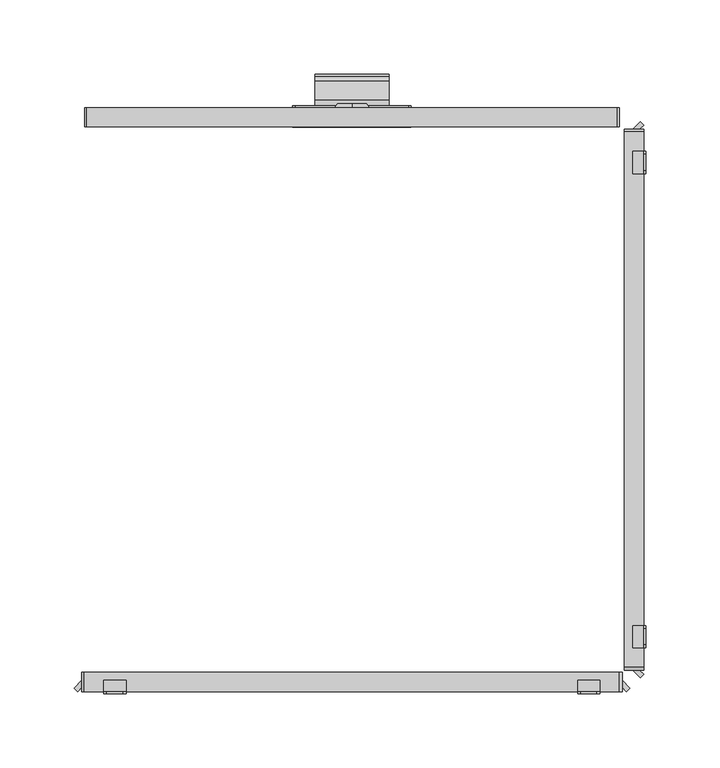
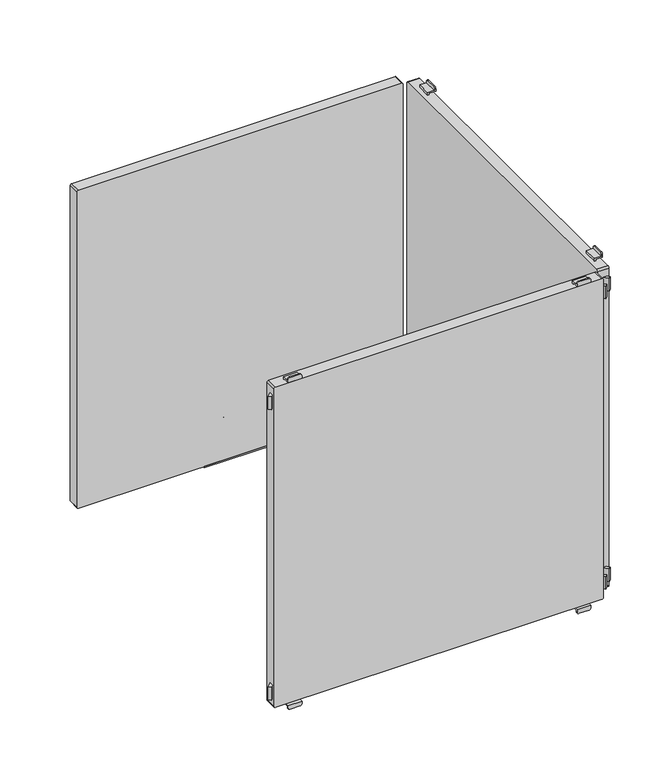
"""IFC4 building model written with IfcOpenShell, lengths in millimetres: furniture geometry."""

from ifc_helpers import new_model, si_unit, point, frame, frame_2d, origin, place, context, project, spatial, polyline, circle_curve, trimmed, segment, composite_curve, outline, extrude, source, transform, mapped, element, save
from ifc_brep_helpers import plane_surface, cylinder_surface, revolved_surface, advanced_brep


def furniture_70ed800b(model_context):
    return source(origin(), model_context, "Body", "SolidModel", [
        extrude(outline(composite_curve([segment(trimmed(circle_curve(frame_2d((202.226909, 86.4886922)), 43.9399623), [point((202.226909, 130.4286545))], [point((215.0082179, 128.5286545))], False, "CARTESIAN"), True, "CONTINUOUS"), segment(trimmed(circle_curve(frame_2d((212.0259096, 118.7193203)), 10.252668), [point((215.0082179, 128.5286545))], [point((218.0910053, 126.9856263))], False, "CARTESIAN"), True, "CONTINUOUS"), segment(trimmed(circle_curve(frame_2d((215.7726745, 123.8259018)), 3.9189943), [point((218.0910053, 126.9856263))], [point((213.1407662, 120.9221843))], False, "CARTESIAN"), True, "CONTINUOUS"), segment(trimmed(circle_curve(frame_2d((202.2269079, 108.8812021)), 16.2510786), [point((213.1407662, 120.9221843))], [point((202.2269079, 125.1322806))], True, "CARTESIAN"), True, "CONTINUOUS"), segment(polyline([(202.2269079, 125.1322806), (198.5, 125.1322806), (198.5, 127.0322806), (202.2269079, 127.0322806)]), True, "CONTINUOUS"), segment(trimmed(circle_curve(frame_2d((202.2269079, 108.8812021)), 18.1510786), [point((202.2269079, 127.0322806))], [point((214.4167634, 122.3299595))], False, "CARTESIAN"), True, "CONTINUOUS"), segment(trimmed(circle_curve(frame_2d((215.7726745, 123.8259018)), 2.0189943), [point((214.4167634, 122.3299595))], [point((216.9670362, 125.4537341))], True, "CARTESIAN"), True, "CONTINUOUS"), segment(trimmed(circle_curve(frame_2d((212.0259096, 118.7193203)), 8.352668), [point((216.9670362, 125.4537341))], [point((214.4555436, 126.710812))], True, "CARTESIAN"), True, "CONTINUOUS"), segment(trimmed(circle_curve(frame_2d((202.226909, 86.4886922)), 42.0399623), [point((214.4555436, 126.710812))], [point((202.226909, 128.5286545))], True, "CARTESIAN"), True, "CONTINUOUS"), segment(polyline([(202.226909, 128.5286545), (198.5, 128.5286545), (198.5, 130.4286545), (202.226909, 130.4286545)]), True, "CONTINUOUS")], self_intersect=False)), frame((-25.0, 0.0, 0.0), z_axis=(1.0, 0.0, 0.0), x_axis=(0.0, 1.0, 0.0)), (0.0, 0.0, 1.0), 50.0),
        advanced_brep(
        [(0.0, 199.7, 156.6837841), (0.0, 199.7, 146.740973), (0.0, 199.7, 166.6265951), (0.0, 197.0, 144.8059292), (0.0, 197.0, 156.6837841), (0.0, 197.0, 168.5616389)],
        [
            (0, 1),
            (1, 2, circle_curve(frame((0.0, 199.7, 156.6837841), z_axis=(0.0, 1.0, 0.0), x_axis=(0.0, 0.0, 1.0)), 9.9428111)),
            (2, 0),
            (2, 1, circle_curve(frame((0.0, 199.7, 156.6837841), z_axis=(0.0, 1.0, 0.0), x_axis=(0.0, 0.0, 1.0)), 9.9428111)),
            (3, 4),
            (4, 5),
            (5, 3, circle_curve(frame((0.0, 197.0, 156.6837841), z_axis=(0.0, -1.0, 0.0), x_axis=(0.0, 0.0, 1.0)), 11.8778548)),
            (3, 5, circle_curve(frame((0.0, 197.0, 156.6837841), z_axis=(0.0, -1.0, 0.0), x_axis=(0.0, 0.0, 1.0)), 11.8778548)),
            (1, 3),
            (5, 2),
        ],
        [
            plane_surface(frame((0.0, 199.7, 156.6837841), z_axis=(0.0, 1.0, 0.0), x_axis=(0.0, 0.0, 1.0))),
            plane_surface(frame((0.0, 197.0, 156.6837841), z_axis=(0.0, -1.0, 0.0), x_axis=(0.0, 0.0, 1.0))),
            revolved_surface(polyline([(0.0, 197.0, 168.5616389), (0.0, 199.7, 166.6265951)]), (0.0, 202.2563621, 156.6837841), (0.0, 1.0, 0.0)),
        ],
        [
            (0, [[1, 2, 3]]),
            (0, [[-3, 4, -1]]),
            (1, [[5, 6, 7]]),
            (1, [[-6, -5, 8]]),
            (2, [[9, -7, 10, -2]]),
            (2, [[-10, -8, -9, -4]]),
        ],
    ),
        advanced_brep(
        [(38.2, 198.5, 135.0), (40.0, 198.5, 133.2), (40.0, 198.5, 122.0), (-40.0, 198.5, 122.0), (-40.0, 198.5, 133.2), (-38.2, 198.5, 135.0), (38.2, 197.0, 135.0), (-38.2, 197.0, 135.0), (-40.0, 197.0, 133.2), (-40.0, 197.0, 121.5), (40.0, 197.0, 121.5), (40.0, 197.0, 133.2), (-40.0, 196.5, 120.0), (-40.0, 184.0, 120.0), (-40.0, 184.0, 121.5), (40.0, 184.0, 121.5), (40.0, 184.0, 120.0), (40.0, 196.5, 120.0)],
        [
            (0, 1, circle_curve(frame((38.2, 198.5, 133.2), z_axis=(0.0, 1.0, 0.0), x_axis=(1.0, 0.0, 0.0)), 1.8)),
            (1, 2),
            (2, 3),
            (3, 4),
            (4, 5, circle_curve(frame((-38.2, 198.5, 133.2), z_axis=(0.0, 1.0, 0.0), x_axis=(1.0, 0.0, 0.0)), 1.8)),
            (5, 0),
            (6, 7),
            (7, 8, circle_curve(frame((-38.2, 197.0, 133.2), z_axis=(0.0, -1.0, 0.0), x_axis=(1.0, 0.0, 0.0)), 1.8)),
            (8, 9),
            (9, 10),
            (10, 11),
            (11, 6, circle_curve(frame((38.2, 197.0, 133.2), z_axis=(0.0, -1.0, 0.0), x_axis=(1.0, 0.0, 0.0)), 1.8)),
            (5, 7),
            (6, 0),
            (4, 8),
            (3, 12, circle_curve(frame((-40.0, 196.5, 122.0), z_axis=(-1.0, 0.0, 0.0), x_axis=(0.0, -1.0, 0.0)), 2.0)),
            (12, 13),
            (13, 14),
            (14, 9),
            (1, 11),
            (10, 15),
            (15, 16),
            (16, 17),
            (17, 2, circle_curve(frame((40.0, 196.5, 122.0), z_axis=(1.0, 0.0, 0.0), x_axis=(0.0, -1.0, 0.0)), 2.0)),
            (16, 13),
            (12, 17),
            (15, 14),
        ],
        [
            plane_surface(frame((-40.0, 198.5, 135.0), z_axis=(0.0, 1.0, 0.0), x_axis=(-1.0, 0.0, 0.0))),
            plane_surface(frame((-40.0, 197.0, 135.0), z_axis=(0.0, -1.0, 0.0), x_axis=(1.0, 0.0, 0.0))),
            plane_surface(frame((38.2, 198.5, 135.0), z_axis=(0.0, 0.0, 1.0), x_axis=(0.0, -1.0, 0.0))),
            cylinder_surface(frame((-38.2, 197.0, 133.2), z_axis=(0.0, 1.0, 0.0), x_axis=(1.0, 0.0, 0.0)), 1.8),
            plane_surface(frame((-40.0, 198.5, 133.2), z_axis=(-1.0, 0.0, 0.0), x_axis=(0.0, -1.0, 0.0))),
            plane_surface(frame((40.0, 198.5, 124.5), z_axis=(1.0, 0.0, 0.0), x_axis=(0.0, -1.0, 0.0))),
            cylinder_surface(frame((38.2, 197.0, 133.2), z_axis=(0.0, 1.0, 0.0), x_axis=(1.0, 0.0, 0.0)), 1.8),
            plane_surface(frame((40.0, 196.5, 120.0), z_axis=(0.0, 0.0, -1.0), x_axis=(-1.0, 0.0, 0.0))),
            plane_surface(frame((40.0, 184.0, 120.0), z_axis=(0.0, -1.0, 0.0), x_axis=(-1.0, 0.0, 0.0))),
            plane_surface(frame((40.0, 184.0, 121.5), z_axis=(0.0, 0.0, 1.0), x_axis=(-1.0, 0.0, 0.0))),
            cylinder_surface(frame((-40.0, 196.5, 122.0), z_axis=(1.0, 0.0, 0.0), x_axis=(0.0, -1.0, 0.0)), 2.0),
        ],
        [
            (0, [[1, 2, 3, 4, 5, 6]]),
            (1, [[7, 8, 9, 10, 11, 12]]),
            (2, [[13, -7, 14, -6]]),
            (3, [[15, -8, -13, -5]]),
            (4, [[16, 17, 18, 19, -9, -15, -4]]),
            (5, [[20, -11, 21, 22, 23, 24, -2]]),
            (6, [[-14, -12, -20, -1]]),
            (7, [[25, -17, 26, -23]]),
            (8, [[27, -18, -25, -22]]),
            (9, [[-10, -19, -27, -21]]),
            (10, [[-26, -16, -3, -24]]),
        ],
    ),
        extrude(outline(composite_curve([segment(polyline([(493.5, 179.0), (493.5, -179.0)]), True, "CONTINUOUS"), segment(trimmed(circle_curve(frame_2d((492.0, -179.0)), 1.5), [point((493.5, -179.0))], [point((492.0, -180.5))], False, "CARTESIAN"), True, "CONTINUOUS"), segment(polyline([(492.0, -180.5), (123.0, -180.5)]), True, "CONTINUOUS"), segment(trimmed(circle_curve(frame_2d((123.0, -179.0)), 1.5), [point((123.0, -180.5))], [point((121.5, -179.0))], False, "CARTESIAN"), True, "CONTINUOUS"), segment(polyline([(121.5, -179.0), (121.5, 179.0)]), True, "CONTINUOUS"), segment(trimmed(circle_curve(frame_2d((123.0, 179.0)), 1.5), [point((121.5, 179.0))], [point((123.0, 180.5))], False, "CARTESIAN"), True, "CONTINUOUS"), segment(polyline([(123.0, 180.5), (492.0, 180.5)]), True, "CONTINUOUS"), segment(trimmed(circle_curve(frame_2d((492.0, 179.0)), 1.5), [point((492.0, 180.5))], [point((493.5, 179.0))], False, "CARTESIAN"), True, "CONTINUOUS")], self_intersect=False)), frame((0.0, 184.0, 0.0), z_axis=(0.0, 1.0, 0.0), x_axis=(0.0, 0.0, 1.0)), (0.0, 0.0, 1.0), 13.0),
        advanced_brep(
        [(152.5, -197.0, 115.5), (152.5, -197.0, 117.0), (167.5, -197.0, 117.0), (167.5, -197.0, 115.5), (165.5, -197.0, 113.5), (154.5, -197.0, 113.5), (152.5, -198.5, 118.5), (152.5, -198.5, 115.5), (154.5, -198.5, 113.5), (165.5, -198.5, 113.5), (167.5, -198.5, 115.5), (167.5, -198.5, 118.5), (152.5, -191.0011497, 118.5), (152.5, -191.0011497, 120.0), (152.5, -189.5011497, 120.0), (152.5, -189.5011497, 117.0), (167.5, -189.5011497, 117.0), (167.5, -189.5011497, 120.0), (167.5, -191.0011497, 120.0), (167.5, -191.0011497, 118.5)],
        [
            (0, 1),
            (1, 2),
            (2, 3),
            (3, 4, circle_curve(frame((165.5, -197.0, 115.5), z_axis=(0.0, 1.0, 0.0), x_axis=(1.0, 0.0, 0.0)), 2.0)),
            (4, 5),
            (5, 0, circle_curve(frame((154.5, -197.0, 115.5), z_axis=(0.0, 1.0, 0.0), x_axis=(1.0, 0.0, 0.0)), 2.0)),
            (6, 7),
            (7, 8, circle_curve(frame((154.5, -198.5, 115.5), z_axis=(0.0, -1.0, 0.0), x_axis=(1.0, 0.0, 0.0)), 2.0)),
            (8, 9),
            (9, 10, circle_curve(frame((165.5, -198.5, 115.5), z_axis=(0.0, -1.0, 0.0), x_axis=(1.0, 0.0, 0.0)), 2.0)),
            (10, 11),
            (11, 6),
            (6, 12),
            (12, 13),
            (13, 14),
            (14, 15),
            (15, 1),
            (0, 7),
            (5, 8),
            (4, 9),
            (3, 10),
            (2, 16),
            (16, 17),
            (17, 18),
            (18, 19),
            (19, 11),
            (19, 12),
            (14, 17),
            (16, 15),
            (13, 18),
        ],
        [
            plane_surface(frame((152.5, -197.0, 117.0), z_axis=(0.0, 1.0, 0.0), x_axis=(0.0, 0.0, -1.0))),
            plane_surface(frame((152.5, -198.5, 117.0), z_axis=(0.0, -1.0, 0.0), x_axis=(0.0, 0.0, 1.0))),
            plane_surface(frame((152.5, -197.0, 118.5), z_axis=(-1.0, 0.0, 0.0), x_axis=(0.0, -1.0, 0.0))),
            cylinder_surface(frame((154.5, -198.5, 115.5), z_axis=(0.0, 1.0, 0.0), x_axis=(1.0, 0.0, 0.0)), 2.0),
            plane_surface(frame((154.5, -197.0, 113.5), z_axis=(0.0, 0.0, -1.0), x_axis=(0.0, -1.0, 0.0))),
            cylinder_surface(frame((165.5, -198.5, 115.5), z_axis=(0.0, 1.0, 0.0), x_axis=(1.0, 0.0, 0.0)), 2.0),
            plane_surface(frame((167.5, -197.0, 115.5), z_axis=(1.0, 0.0, 0.0), x_axis=(0.0, -1.0, 0.0))),
            plane_surface(frame((167.5, -197.0, 118.5), z_axis=(0.0, 0.0, 1.0), x_axis=(0.0, -1.0, 0.0))),
            plane_surface(frame((152.5, -189.5011497, 117.0), z_axis=(0.0, 1.0, 0.0), x_axis=(1.0, 0.0, 0.0))),
            plane_surface(frame((152.5, -189.5011497, 120.0), z_axis=(0.0, 0.0, 1.0), x_axis=(1.0, 0.0, 0.0))),
            plane_surface(frame((152.5, -191.0011497, 120.0), z_axis=(0.0, -1.0, 0.0), x_axis=(1.0, 0.0, 0.0))),
            plane_surface(frame((152.5, -197.0, 117.0), z_axis=(0.0, 0.0, -1.0), x_axis=(1.0, 0.0, 0.0))),
        ],
        [
            (0, [[1, 2, 3, 4, 5, 6]]),
            (1, [[7, 8, 9, 10, 11, 12]]),
            (2, [[13, 14, 15, 16, 17, -1, 18, -7]]),
            (3, [[19, -8, -18, -6]]),
            (4, [[20, -9, -19, -5]]),
            (5, [[21, -10, -20, -4]]),
            (6, [[-21, -3, 22, 23, 24, 25, 26, -11]]),
            (7, [[27, -13, -12, -26]]),
            (8, [[28, -23, 29, -16]]),
            (9, [[30, -24, -28, -15]]),
            (10, [[-27, -25, -30, -14]]),
            (11, [[-29, -22, -2, -17]]),
        ],
    ),
        advanced_brep(
        [(-167.5, -197.0, 115.5), (-167.5, -197.0, 117.0), (-152.5, -197.0, 117.0), (-152.5, -197.0, 115.5), (-154.5, -197.0, 113.5), (-165.5, -197.0, 113.5), (-152.5, -198.5, 118.5), (-167.5, -198.5, 118.5), (-167.5, -198.5, 115.5), (-165.5, -198.5, 113.5), (-154.5, -198.5, 113.5), (-152.5, -198.5, 115.5), (-152.5, -191.0011497, 118.5), (-167.5, -191.0011497, 118.5), (-167.5, -191.0011497, 120.0), (-167.5, -189.5011497, 120.0), (-167.5, -189.5011497, 117.0), (-152.5, -189.5011497, 117.0), (-152.5, -189.5011497, 120.0), (-152.5, -191.0011497, 120.0)],
        [
            (0, 1),
            (1, 2),
            (2, 3),
            (3, 4, circle_curve(frame((-154.5, -197.0, 115.5), z_axis=(0.0, 1.0, 0.0), x_axis=(1.0, 0.0, 0.0)), 2.0)),
            (4, 5),
            (5, 0, circle_curve(frame((-165.5, -197.0, 115.5), z_axis=(0.0, 1.0, 0.0), x_axis=(1.0, 0.0, 0.0)), 2.0)),
            (6, 7),
            (7, 8),
            (8, 9, circle_curve(frame((-165.5, -198.5, 115.5), z_axis=(0.0, -1.0, 0.0), x_axis=(1.0, 0.0, 0.0)), 2.0)),
            (9, 10),
            (10, 11, circle_curve(frame((-154.5, -198.5, 115.5), z_axis=(0.0, -1.0, 0.0), x_axis=(1.0, 0.0, 0.0)), 2.0)),
            (11, 6),
            (6, 12),
            (12, 13),
            (13, 7),
            (13, 14),
            (14, 15),
            (15, 16),
            (16, 1),
            (0, 8),
            (5, 9),
            (4, 10),
            (3, 11),
            (2, 17),
            (17, 18),
            (18, 19),
            (19, 12),
            (17, 16),
            (15, 18),
            (14, 19),
        ],
        [
            plane_surface(frame((152.5, -197.0, 117.0), z_axis=(0.0, 1.0, 0.0), x_axis=(0.0, 0.0, -1.0))),
            plane_surface(frame((152.5, -198.5, 117.0), z_axis=(0.0, -1.0, 0.0), x_axis=(0.0, 0.0, 1.0))),
            plane_surface(frame((-152.5, -197.0, 118.5), z_axis=(0.0, 0.0, 1.0), x_axis=(0.0, -1.0, 0.0))),
            plane_surface(frame((-167.5, -197.0, 118.5), z_axis=(-1.0, 0.0, 0.0), x_axis=(0.0, -1.0, 0.0))),
            cylinder_surface(frame((-165.5, -200.0, 115.5), z_axis=(0.0, 1.0, 0.0), x_axis=(1.0, 0.0, 0.0)), 2.0),
            plane_surface(frame((-165.5, -197.0, 113.5), z_axis=(0.0, 0.0, -1.0), x_axis=(0.0, -1.0, 0.0))),
            cylinder_surface(frame((-154.5, -200.0, 115.5), z_axis=(0.0, 1.0, 0.0), x_axis=(1.0, 0.0, 0.0)), 2.0),
            plane_surface(frame((-152.5, -197.0, 115.5), z_axis=(1.0, 0.0, 0.0), x_axis=(0.0, -1.0, 0.0))),
            plane_surface(frame((-152.5, -189.5011497, 120.0), z_axis=(0.0, 1.0, 0.0), x_axis=(-1.0, 0.0, 0.0))),
            plane_surface(frame((-152.5, -191.0011497, 120.0), z_axis=(0.0, 0.0, 1.0), x_axis=(-1.0, 0.0, 0.0))),
            plane_surface(frame((-152.5, -191.0011497, 118.5), z_axis=(0.0, -1.0, 0.0), x_axis=(-1.0, 0.0, 0.0))),
            plane_surface(frame((-152.5, -189.5011497, 117.0), z_axis=(0.0, 0.0, -1.0), x_axis=(-1.0, 0.0, 0.0))),
        ],
        [
            (0, [[1, 2, 3, 4, 5, 6]]),
            (1, [[7, 8, 9, 10, 11, 12]]),
            (2, [[13, 14, 15, -7]]),
            (3, [[-15, 16, 17, 18, 19, -1, 20, -8]]),
            (4, [[21, -9, -20, -6]]),
            (5, [[22, -10, -21, -5]]),
            (6, [[23, -11, -22, -4]]),
            (7, [[-23, -3, 24, 25, 26, 27, -13, -12]]),
            (8, [[28, -18, 29, -25]]),
            (9, [[-29, -17, 30, -26]]),
            (10, [[-30, -16, -14, -27]]),
            (11, [[-2, -19, -28, -24]]),
        ],
    ),
        advanced_brep(
        [(167.5, -197.0, 499.5), (167.5, -197.0, 498.0), (152.5, -197.0, 498.0), (152.5, -197.0, 499.5), (154.5, -197.0, 501.5), (165.5, -197.0, 501.5), (152.5, -198.5, 496.5), (167.5, -198.5, 496.5), (167.5, -198.5, 499.5), (165.5, -198.5, 501.5), (154.5, -198.5, 501.5), (152.5, -198.5, 499.5), (152.5, -189.5011497, 498.0), (152.5, -189.5011497, 495.0), (152.5, -191.0011497, 495.0), (152.5, -191.0011497, 496.5), (167.5, -189.5011497, 498.0), (167.5, -191.0011497, 496.5), (167.5, -191.0011497, 495.0), (167.5, -189.5011497, 495.0)],
        [
            (0, 1),
            (1, 2),
            (2, 3),
            (3, 4, circle_curve(frame((154.5, -197.0, 499.5), z_axis=(0.0, 1.0, 0.0), x_axis=(1.0, 0.0, 0.0)), 2.0)),
            (4, 5),
            (5, 0, circle_curve(frame((165.5, -197.0, 499.5), z_axis=(0.0, 1.0, 0.0), x_axis=(1.0, 0.0, 0.0)), 2.0)),
            (6, 7),
            (7, 8),
            (8, 9, circle_curve(frame((165.5, -198.5, 499.5), z_axis=(0.0, -1.0, 0.0), x_axis=(1.0, 0.0, 0.0)), 2.0)),
            (9, 10),
            (10, 11, circle_curve(frame((154.5, -198.5, 499.5), z_axis=(0.0, -1.0, 0.0), x_axis=(1.0, 0.0, 0.0)), 2.0)),
            (11, 6),
            (12, 13),
            (13, 14),
            (14, 15),
            (15, 6),
            (11, 3),
            (2, 12),
            (16, 1),
            (0, 8),
            (7, 17),
            (17, 18),
            (18, 19),
            (19, 16),
            (15, 17),
            (5, 9),
            (4, 10),
            (16, 12),
            (14, 18),
            (13, 19),
        ],
        [
            plane_surface(frame((152.5, -197.0, 117.0), z_axis=(0.0, 1.0, 0.0), x_axis=(0.0, 0.0, -1.0))),
            plane_surface(frame((152.5, -198.5, 117.0), z_axis=(0.0, -1.0, 0.0), x_axis=(0.0, 0.0, 1.0))),
            plane_surface(frame((152.5, -197.0, 118.5), z_axis=(-1.0, 0.0, 0.0), x_axis=(0.0, -1.0, 0.0))),
            plane_surface(frame((167.5, -197.0, 115.5), z_axis=(1.0, 0.0, 0.0), x_axis=(0.0, -1.0, 0.0))),
            plane_surface(frame((152.5, -197.0, 496.5), z_axis=(0.0, 0.0, -1.0), x_axis=(0.0, -1.0, 0.0))),
            cylinder_surface(frame((165.5, -200.0, 499.5), z_axis=(0.0, 1.0, 0.0), x_axis=(1.0, 0.0, 0.0)), 2.0),
            plane_surface(frame((165.5, -197.0, 501.5), z_axis=(0.0, 0.0, 1.0), x_axis=(0.0, -1.0, 0.0))),
            cylinder_surface(frame((154.5, -200.0, 499.5), z_axis=(0.0, 1.0, 0.0), x_axis=(1.0, 0.0, 0.0)), 2.0),
            plane_surface(frame((152.5, -189.5011497, 498.0), z_axis=(0.0, 0.0, 1.0), x_axis=(1.0, 0.0, 0.0))),
            plane_surface(frame((152.5, -191.0011497, 496.5), z_axis=(0.0, -1.0, 0.0), x_axis=(1.0, 0.0, 0.0))),
            plane_surface(frame((152.5, -191.0011497, 495.0), z_axis=(0.0, 0.0, -1.0), x_axis=(1.0, 0.0, 0.0))),
            plane_surface(frame((152.5, -189.5011497, 495.0), z_axis=(0.0, 1.0, 0.0), x_axis=(1.0, 0.0, 0.0))),
        ],
        [
            (0, [[1, 2, 3, 4, 5, 6]]),
            (1, [[7, 8, 9, 10, 11, 12]]),
            (2, [[13, 14, 15, 16, -12, 17, -3, 18]]),
            (3, [[19, -1, 20, -8, 21, 22, 23, 24]]),
            (4, [[25, -21, -7, -16]]),
            (5, [[26, -9, -20, -6]]),
            (6, [[27, -10, -26, -5]]),
            (7, [[-17, -11, -27, -4]]),
            (8, [[-2, -19, 28, -18]]),
            (9, [[29, -22, -25, -15]]),
            (10, [[30, -23, -29, -14]]),
            (11, [[-28, -24, -30, -13]]),
        ],
    ),
        advanced_brep(
        [(-152.5, -197.0, 499.5), (-152.5, -197.0, 498.0), (-167.5, -197.0, 498.0), (-167.5, -197.0, 499.5), (-165.5, -197.0, 501.5), (-154.5, -197.0, 501.5), (-152.5, -198.5, 496.5), (-152.5, -198.5, 499.5), (-154.5, -198.5, 501.5), (-165.5, -198.5, 501.5), (-167.5, -198.5, 499.5), (-167.5, -198.5, 496.5), (-167.5, -189.5011497, 498.0), (-167.5, -189.5011497, 495.0), (-167.5, -191.0011497, 495.0), (-167.5, -191.0011497, 496.5), (-152.5, -191.0011497, 496.5), (-152.5, -191.0011497, 495.0), (-152.5, -189.5011497, 495.0), (-152.5, -189.5011497, 498.0)],
        [
            (0, 1),
            (1, 2),
            (2, 3),
            (3, 4, circle_curve(frame((-165.5, -197.0, 499.5), z_axis=(0.0, 1.0, 0.0), x_axis=(1.0, 0.0, 0.0)), 2.0)),
            (4, 5),
            (5, 0, circle_curve(frame((-154.5, -197.0, 499.5), z_axis=(0.0, 1.0, 0.0), x_axis=(1.0, 0.0, 0.0)), 2.0)),
            (6, 7),
            (7, 8, circle_curve(frame((-154.5, -198.5, 499.5), z_axis=(0.0, -1.0, 0.0), x_axis=(1.0, 0.0, 0.0)), 2.0)),
            (8, 9),
            (9, 10, circle_curve(frame((-165.5, -198.5, 499.5), z_axis=(0.0, -1.0, 0.0), x_axis=(1.0, 0.0, 0.0)), 2.0)),
            (10, 11),
            (11, 6),
            (10, 3),
            (2, 12),
            (12, 13),
            (13, 14),
            (14, 15),
            (15, 11),
            (6, 16),
            (16, 17),
            (17, 18),
            (18, 19),
            (19, 1),
            (0, 7),
            (5, 8),
            (4, 9),
            (15, 16),
            (19, 12),
            (14, 17),
            (13, 18),
        ],
        [
            plane_surface(frame((152.5, -197.0, 117.0), z_axis=(0.0, 1.0, 0.0), x_axis=(0.0, 0.0, -1.0))),
            plane_surface(frame((152.5, -198.5, 117.0), z_axis=(0.0, -1.0, 0.0), x_axis=(0.0, 0.0, 1.0))),
            plane_surface(frame((-167.5, -197.0, 118.5), z_axis=(-1.0, 0.0, 0.0), x_axis=(0.0, -1.0, 0.0))),
            plane_surface(frame((-152.5, -197.0, 115.5), z_axis=(1.0, 0.0, 0.0), x_axis=(0.0, -1.0, 0.0))),
            cylinder_surface(frame((-154.5, -200.0, 499.5), z_axis=(0.0, 1.0, 0.0), x_axis=(1.0, 0.0, 0.0)), 2.0),
            plane_surface(frame((-154.5, -197.0, 501.5), z_axis=(0.0, 0.0, 1.0), x_axis=(0.0, -1.0, 0.0))),
            cylinder_surface(frame((-165.5, -200.0, 499.5), z_axis=(0.0, 1.0, 0.0), x_axis=(1.0, 0.0, 0.0)), 2.0),
            plane_surface(frame((-167.5, -197.0, 496.5), z_axis=(0.0, 0.0, -1.0), x_axis=(0.0, -1.0, 0.0))),
            plane_surface(frame((-152.5, -197.0, 498.0), z_axis=(0.0, 0.0, 1.0), x_axis=(-1.0, 0.0, 0.0))),
            plane_surface(frame((-152.5, -191.0011497, 495.0), z_axis=(0.0, -1.0, 0.0), x_axis=(-1.0, 0.0, 0.0))),
            plane_surface(frame((-152.5, -189.5011497, 495.0), z_axis=(0.0, 0.0, -1.0), x_axis=(-1.0, 0.0, 0.0))),
            plane_surface(frame((-152.5, -189.5011497, 498.0), z_axis=(0.0, 1.0, 0.0), x_axis=(-1.0, 0.0, 0.0))),
        ],
        [
            (0, [[1, 2, 3, 4, 5, 6]]),
            (1, [[7, 8, 9, 10, 11, 12]]),
            (2, [[13, -3, 14, 15, 16, 17, 18, -11]]),
            (3, [[19, 20, 21, 22, 23, -1, 24, -7]]),
            (4, [[25, -8, -24, -6]]),
            (5, [[26, -9, -25, -5]]),
            (6, [[-13, -10, -26, -4]]),
            (7, [[-18, 27, -19, -12]]),
            (8, [[28, -14, -2, -23]]),
            (9, [[-27, -17, 29, -20]]),
            (10, [[-29, -16, 30, -21]]),
            (11, [[-30, -15, -28, -22]]),
        ],
    ),
        extrude(outline(polyline([(-185.3223305, -197.0), (-187.6605904, -194.6617401), (-182.5, -189.5011497), (-182.5, -194.1776695), (-185.3223305, -197.0)])), frame((0.0, 0.0, 130.0), z_axis=(0.0, 0.0, 1.0), x_axis=(1.0, 0.0, 0.0)), (0.0, 0.0, 1.0), 15.0),
        extrude(outline(polyline([(185.3223305, -197.0), (182.5, -194.1776695), (182.5, -189.5011497), (187.6605904, -194.6617401), (185.3223305, -197.0)])), frame((0.0, 0.0, 130.0), z_axis=(0.0, 0.0, 1.0), x_axis=(1.0, 0.0, 0.0)), (0.0, 0.0, 1.0), 15.0),
        extrude(outline(composite_curve([segment(trimmed(circle_curve(frame_2d((493.2, 180.7)), 1.8), [point((493.2, 182.5))], [point((495.0, 180.7))], False, "CARTESIAN"), True, "CONTINUOUS"), segment(polyline([(495.0, 180.7), (495.0, -180.7)]), True, "CONTINUOUS"), segment(trimmed(circle_curve(frame_2d((493.2, -180.7)), 1.8), [point((495.0, -180.7))], [point((493.2, -182.5))], False, "CARTESIAN"), True, "CONTINUOUS"), segment(polyline([(493.2, -182.5), (121.8, -182.5)]), True, "CONTINUOUS"), segment(trimmed(circle_curve(frame_2d((121.8, -180.7)), 1.8), [point((121.8, -182.5))], [point((120.0, -180.7))], False, "CARTESIAN"), True, "CONTINUOUS"), segment(polyline([(120.0, -180.7), (120.0, 180.7)]), True, "CONTINUOUS"), segment(trimmed(circle_curve(frame_2d((121.8, 180.7)), 1.8), [point((120.0, 180.7))], [point((121.8, 182.5))], False, "CARTESIAN"), True, "CONTINUOUS"), segment(polyline([(121.8, 182.5), (493.2, 182.5)]), True, "CONTINUOUS")], self_intersect=False)), frame((0.0, -197.0, 0.0), z_axis=(0.0, 1.0, 0.0), x_axis=(0.0, 0.0, 1.0)), (0.0, 0.0, 1.0), 13.000205),
        extrude(outline(polyline([(-185.3223305, -197.0), (-187.6605904, -194.6617401), (-182.5, -189.5011497), (-182.5, -194.1776695), (-185.3223305, -197.0)])), frame((0.0, 0.0, 470.0), z_axis=(0.0, 0.0, 1.0), x_axis=(1.0, 0.0, 0.0)), (0.0, 0.0, 1.0), 15.0),
        extrude(outline(polyline([(185.3223305, -197.0), (182.5, -194.1776695), (182.5, -189.5011497), (187.6605904, -194.6617401), (185.3223305, -197.0)])), frame((0.0, 0.0, 470.0), z_axis=(0.0, 0.0, 1.0), x_axis=(1.0, 0.0, 0.0)), (0.0, 0.0, 1.0), 15.0),
        advanced_brep(
        [(197.0, -152.5, 115.5), (197.0, -154.5, 113.5), (197.0, -165.5, 113.5), (197.0, -167.5, 115.5), (197.0, -167.5, 117.0), (197.0, -152.5, 117.0), (198.5, -152.5, 118.5), (198.5, -167.5, 118.5), (198.5, -167.5, 115.5), (198.5, -165.5, 113.5), (198.5, -154.5, 113.5), (198.5, -152.5, 115.5), (189.5011497, -152.5, 117.0), (189.5011497, -152.5, 120.0), (191.0011497, -152.5, 120.0), (191.0011497, -152.5, 118.5), (191.0011497, -167.5, 118.5), (191.0011497, -167.5, 120.0), (189.5011497, -167.5, 120.0), (189.5011497, -167.5, 117.0)],
        [
            (0, 1, circle_curve(frame((197.0, -154.5, 115.5), z_axis=(-1.0, 0.0, 0.0), x_axis=(0.0, -1.0, 0.0)), 2.0)),
            (1, 2),
            (2, 3, circle_curve(frame((197.0, -165.5, 115.5), z_axis=(-1.0, 0.0, 0.0), x_axis=(0.0, -1.0, 0.0)), 2.0)),
            (3, 4),
            (4, 5),
            (5, 0),
            (6, 7),
            (7, 8),
            (8, 9, circle_curve(frame((198.5, -165.5, 115.5), z_axis=(1.0, 0.0, 0.0), x_axis=(0.0, -1.0, 0.0)), 2.0)),
            (9, 10),
            (10, 11, circle_curve(frame((198.5, -154.5, 115.5), z_axis=(1.0, 0.0, 0.0), x_axis=(0.0, -1.0, 0.0)), 2.0)),
            (11, 6),
            (11, 0),
            (5, 12),
            (12, 13),
            (13, 14),
            (14, 15),
            (15, 6),
            (10, 1),
            (9, 2),
            (8, 3),
            (7, 16),
            (16, 17),
            (17, 18),
            (18, 19),
            (19, 4),
            (15, 16),
            (12, 19),
            (18, 13),
            (17, 14),
        ],
        [
            plane_surface(frame((197.0, -152.5, 117.0), z_axis=(-1.0, 0.0, 0.0), x_axis=(0.0, 0.0, -1.0))),
            plane_surface(frame((198.5, -152.5, 117.0), z_axis=(1.0, 0.0, 0.0), x_axis=(0.0, 0.0, 1.0))),
            plane_surface(frame((197.0, -152.5, 118.5), z_axis=(0.0, 1.0, 0.0), x_axis=(1.0, 0.0, 0.0))),
            cylinder_surface(frame((198.5, -154.5, 115.5), z_axis=(-1.0, 0.0, 0.0), x_axis=(0.0, -1.0, 0.0)), 2.0),
            plane_surface(frame((197.0, -154.5, 113.5), z_axis=(0.0, 0.0, -1.0), x_axis=(1.0, 0.0, 0.0))),
            cylinder_surface(frame((198.5, -165.5, 115.5), z_axis=(-1.0, 0.0, 0.0), x_axis=(0.0, -1.0, 0.0)), 2.0),
            plane_surface(frame((197.0, -167.5, 115.5), z_axis=(0.0, -1.0, 0.0), x_axis=(1.0, 0.0, 0.0))),
            plane_surface(frame((197.0, -167.5, 118.5), z_axis=(0.0, 0.0, 1.0), x_axis=(1.0, 0.0, 0.0))),
            plane_surface(frame((189.5011497, -152.5, 117.0), z_axis=(-1.0, 0.0, 0.0), x_axis=(0.0, -1.0, 0.0))),
            plane_surface(frame((189.5011497, -152.5, 120.0), z_axis=(0.0, 0.0, 1.0), x_axis=(0.0, -1.0, 0.0))),
            plane_surface(frame((191.0011497, -152.5, 120.0), z_axis=(1.0, 0.0, 0.0), x_axis=(0.0, -1.0, 0.0))),
            plane_surface(frame((197.0, -152.5, 117.0), z_axis=(0.0, 0.0, -1.0), x_axis=(0.0, -1.0, 0.0))),
        ],
        [
            (0, [[1, 2, 3, 4, 5, 6]]),
            (1, [[7, 8, 9, 10, 11, 12]]),
            (2, [[-12, 13, -6, 14, 15, 16, 17, 18]]),
            (3, [[-1, -13, -11, 19]]),
            (4, [[-2, -19, -10, 20]]),
            (5, [[-3, -20, -9, 21]]),
            (6, [[-8, 22, 23, 24, 25, 26, -4, -21]]),
            (7, [[-22, -7, -18, 27]]),
            (8, [[-15, 28, -25, 29]]),
            (9, [[-16, -29, -24, 30]]),
            (10, [[-17, -30, -23, -27]]),
            (11, [[-14, -5, -26, -28]]),
        ],
    ),
        advanced_brep(
        [(197.0, 167.5, 115.5), (197.0, 165.5, 113.5), (197.0, 154.5, 113.5), (197.0, 152.5, 115.5), (197.0, 152.5, 117.0), (197.0, 167.5, 117.0), (198.5, 152.5, 118.5), (198.5, 152.5, 115.5), (198.5, 154.5, 113.5), (198.5, 165.5, 113.5), (198.5, 167.5, 115.5), (198.5, 167.5, 118.5), (191.0011497, 167.5, 118.5), (191.0011497, 152.5, 118.5), (189.5011497, 167.5, 117.0), (189.5011497, 167.5, 120.0), (191.0011497, 167.5, 120.0), (191.0011497, 152.5, 120.0), (189.5011497, 152.5, 120.0), (189.5011497, 152.5, 117.0)],
        [
            (0, 1, circle_curve(frame((197.0, 165.5, 115.5), z_axis=(-1.0, 0.0, 0.0), x_axis=(0.0, -1.0, 0.0)), 2.0)),
            (1, 2),
            (2, 3, circle_curve(frame((197.0, 154.5, 115.5), z_axis=(-1.0, 0.0, 0.0), x_axis=(0.0, -1.0, 0.0)), 2.0)),
            (3, 4),
            (4, 5),
            (5, 0),
            (6, 7),
            (7, 8, circle_curve(frame((198.5, 154.5, 115.5), z_axis=(1.0, 0.0, 0.0), x_axis=(0.0, -1.0, 0.0)), 2.0)),
            (8, 9),
            (9, 10, circle_curve(frame((198.5, 165.5, 115.5), z_axis=(1.0, 0.0, 0.0), x_axis=(0.0, -1.0, 0.0)), 2.0)),
            (10, 11),
            (11, 6),
            (11, 12),
            (12, 13),
            (13, 6),
            (10, 0),
            (5, 14),
            (14, 15),
            (15, 16),
            (16, 12),
            (9, 1),
            (8, 2),
            (7, 3),
            (13, 17),
            (17, 18),
            (18, 19),
            (19, 4),
            (18, 15),
            (14, 19),
            (17, 16),
        ],
        [
            plane_surface(frame((197.0, -152.5, 117.0), z_axis=(-1.0, 0.0, 0.0), x_axis=(0.0, 0.0, -1.0))),
            plane_surface(frame((198.5, -152.5, 117.0), z_axis=(1.0, 0.0, 0.0), x_axis=(0.0, 0.0, 1.0))),
            plane_surface(frame((197.0, 152.5, 118.5), z_axis=(0.0, 0.0, 1.0), x_axis=(1.0, 0.0, 0.0))),
            plane_surface(frame((197.0, 167.5, 118.5), z_axis=(0.0, 1.0, 0.0), x_axis=(1.0, 0.0, 0.0))),
            cylinder_surface(frame((200.0, 165.5, 115.5), z_axis=(-1.0, 0.0, 0.0), x_axis=(0.0, -1.0, 0.0)), 2.0),
            plane_surface(frame((197.0, 165.5, 113.5), z_axis=(0.0, 0.0, -1.0), x_axis=(1.0, 0.0, 0.0))),
            cylinder_surface(frame((200.0, 154.5, 115.5), z_axis=(-1.0, 0.0, 0.0), x_axis=(0.0, -1.0, 0.0)), 2.0),
            plane_surface(frame((197.0, 152.5, 115.5), z_axis=(0.0, -1.0, 0.0), x_axis=(1.0, 0.0, 0.0))),
            plane_surface(frame((189.5011497, 152.5, 120.0), z_axis=(-1.0, 0.0, 0.0), x_axis=(0.0, 1.0, 0.0))),
            plane_surface(frame((191.0011497, 152.5, 120.0), z_axis=(0.0, 0.0, 1.0), x_axis=(0.0, 1.0, 0.0))),
            plane_surface(frame((191.0011497, 152.5, 118.5), z_axis=(1.0, 0.0, 0.0), x_axis=(0.0, 1.0, 0.0))),
            plane_surface(frame((189.5011497, 152.5, 117.0), z_axis=(0.0, 0.0, -1.0), x_axis=(0.0, 1.0, 0.0))),
        ],
        [
            (0, [[1, 2, 3, 4, 5, 6]]),
            (1, [[7, 8, 9, 10, 11, 12]]),
            (2, [[-12, 13, 14, 15]]),
            (3, [[-11, 16, -6, 17, 18, 19, 20, -13]]),
            (4, [[-1, -16, -10, 21]]),
            (5, [[-2, -21, -9, 22]]),
            (6, [[-3, -22, -8, 23]]),
            (7, [[-7, -15, 24, 25, 26, 27, -4, -23]]),
            (8, [[-26, 28, -18, 29]]),
            (9, [[-25, 30, -19, -28]]),
            (10, [[-24, -14, -20, -30]]),
            (11, [[-27, -29, -17, -5]]),
        ],
    ),
        advanced_brep(
        [(197.0, -167.5, 499.5), (197.0, -165.5, 501.5), (197.0, -154.5, 501.5), (197.0, -152.5, 499.5), (197.0, -152.5, 498.0), (197.0, -167.5, 498.0), (198.5, -152.5, 496.5), (198.5, -152.5, 499.5), (198.5, -154.5, 501.5), (198.5, -165.5, 501.5), (198.5, -167.5, 499.5), (198.5, -167.5, 496.5), (189.5011497, -152.5, 498.0), (191.0011497, -152.5, 496.5), (191.0011497, -152.5, 495.0), (189.5011497, -152.5, 495.0), (189.5011497, -167.5, 498.0), (189.5011497, -167.5, 495.0), (191.0011497, -167.5, 495.0), (191.0011497, -167.5, 496.5)],
        [
            (0, 1, circle_curve(frame((197.0, -165.5, 499.5), z_axis=(-1.0, 0.0, 0.0), x_axis=(0.0, -1.0, 0.0)), 2.0)),
            (1, 2),
            (2, 3, circle_curve(frame((197.0, -154.5, 499.5), z_axis=(-1.0, 0.0, 0.0), x_axis=(0.0, -1.0, 0.0)), 2.0)),
            (3, 4),
            (4, 5),
            (5, 0),
            (6, 7),
            (7, 8, circle_curve(frame((198.5, -154.5, 499.5), z_axis=(1.0, 0.0, 0.0), x_axis=(0.0, -1.0, 0.0)), 2.0)),
            (8, 9),
            (9, 10, circle_curve(frame((198.5, -165.5, 499.5), z_axis=(1.0, 0.0, 0.0), x_axis=(0.0, -1.0, 0.0)), 2.0)),
            (10, 11),
            (11, 6),
            (12, 4),
            (3, 7),
            (6, 13),
            (13, 14),
            (14, 15),
            (15, 12),
            (16, 17),
            (17, 18),
            (18, 19),
            (19, 11),
            (10, 0),
            (5, 16),
            (19, 13),
            (9, 1),
            (8, 2),
            (12, 16),
            (18, 14),
            (17, 15),
        ],
        [
            plane_surface(frame((197.0, -152.5, 117.0), z_axis=(-1.0, 0.0, 0.0), x_axis=(0.0, 0.0, -1.0))),
            plane_surface(frame((198.5, -152.5, 117.0), z_axis=(1.0, 0.0, 0.0), x_axis=(0.0, 0.0, 1.0))),
            plane_surface(frame((197.0, -152.5, 118.5), z_axis=(0.0, 1.0, 0.0), x_axis=(1.0, 0.0, 0.0))),
            plane_surface(frame((197.0, -167.5, 115.5), z_axis=(0.0, -1.0, 0.0), x_axis=(1.0, 0.0, 0.0))),
            plane_surface(frame((197.0, -152.5, 496.5), z_axis=(0.0, 0.0, -1.0), x_axis=(1.0, 0.0, 0.0))),
            cylinder_surface(frame((200.0, -165.5, 499.5), z_axis=(-1.0, 0.0, 0.0), x_axis=(0.0, -1.0, 0.0)), 2.0),
            plane_surface(frame((197.0, -165.5, 501.5), z_axis=(0.0, 0.0, 1.0), x_axis=(1.0, 0.0, 0.0))),
            cylinder_surface(frame((200.0, -154.5, 499.5), z_axis=(-1.0, 0.0, 0.0), x_axis=(0.0, -1.0, 0.0)), 2.0),
            plane_surface(frame((189.5011497, -152.5, 498.0), z_axis=(0.0, 0.0, 1.0), x_axis=(0.0, -1.0, 0.0))),
            plane_surface(frame((191.0011497, -152.5, 496.5), z_axis=(1.0, 0.0, 0.0), x_axis=(0.0, -1.0, 0.0))),
            plane_surface(frame((191.0011497, -152.5, 495.0), z_axis=(0.0, 0.0, -1.0), x_axis=(0.0, -1.0, 0.0))),
            plane_surface(frame((189.5011497, -152.5, 495.0), z_axis=(-1.0, 0.0, 0.0), x_axis=(0.0, -1.0, 0.0))),
        ],
        [
            (0, [[1, 2, 3, 4, 5, 6]]),
            (1, [[7, 8, 9, 10, 11, 12]]),
            (2, [[13, -4, 14, -7, 15, 16, 17, 18]]),
            (3, [[19, 20, 21, 22, -11, 23, -6, 24]]),
            (4, [[-15, -12, -22, 25]]),
            (5, [[-1, -23, -10, 26]]),
            (6, [[-2, -26, -9, 27]]),
            (7, [[-3, -27, -8, -14]]),
            (8, [[-13, 28, -24, -5]]),
            (9, [[-16, -25, -21, 29]]),
            (10, [[-17, -29, -20, 30]]),
            (11, [[-18, -30, -19, -28]]),
        ],
    ),
        advanced_brep(
        [(197.0, 152.5, 499.5), (197.0, 154.5, 501.5), (197.0, 165.5, 501.5), (197.0, 167.5, 499.5), (197.0, 167.5, 498.0), (197.0, 152.5, 498.0), (198.5, 152.5, 496.5), (198.5, 167.5, 496.5), (198.5, 167.5, 499.5), (198.5, 165.5, 501.5), (198.5, 154.5, 501.5), (198.5, 152.5, 499.5), (191.0011497, 167.5, 496.5), (191.0011497, 167.5, 495.0), (189.5011497, 167.5, 495.0), (189.5011497, 167.5, 498.0), (189.5011497, 152.5, 498.0), (189.5011497, 152.5, 495.0), (191.0011497, 152.5, 495.0), (191.0011497, 152.5, 496.5)],
        [
            (0, 1, circle_curve(frame((197.0, 154.5, 499.5), z_axis=(-1.0, 0.0, 0.0), x_axis=(0.0, -1.0, 0.0)), 2.0)),
            (1, 2),
            (2, 3, circle_curve(frame((197.0, 165.5, 499.5), z_axis=(-1.0, 0.0, 0.0), x_axis=(0.0, -1.0, 0.0)), 2.0)),
            (3, 4),
            (4, 5),
            (5, 0),
            (6, 7),
            (7, 8),
            (8, 9, circle_curve(frame((198.5, 165.5, 499.5), z_axis=(1.0, 0.0, 0.0), x_axis=(0.0, -1.0, 0.0)), 2.0)),
            (9, 10),
            (10, 11, circle_curve(frame((198.5, 154.5, 499.5), z_axis=(1.0, 0.0, 0.0), x_axis=(0.0, -1.0, 0.0)), 2.0)),
            (11, 6),
            (7, 12),
            (12, 13),
            (13, 14),
            (14, 15),
            (15, 4),
            (3, 8),
            (11, 0),
            (5, 16),
            (16, 17),
            (17, 18),
            (18, 19),
            (19, 6),
            (10, 1),
            (9, 2),
            (19, 12),
            (15, 16),
            (18, 13),
            (17, 14),
        ],
        [
            plane_surface(frame((197.0, -152.5, 117.0), z_axis=(-1.0, 0.0, 0.0), x_axis=(0.0, 0.0, -1.0))),
            plane_surface(frame((198.5, -152.5, 117.0), z_axis=(1.0, 0.0, 0.0), x_axis=(0.0, 0.0, 1.0))),
            plane_surface(frame((197.0, 167.5, 118.5), z_axis=(0.0, 1.0, 0.0), x_axis=(1.0, 0.0, 0.0))),
            plane_surface(frame((197.0, 152.5, 115.5), z_axis=(0.0, -1.0, 0.0), x_axis=(1.0, 0.0, 0.0))),
            cylinder_surface(frame((200.0, 154.5, 499.5), z_axis=(-1.0, 0.0, 0.0), x_axis=(0.0, -1.0, 0.0)), 2.0),
            plane_surface(frame((197.0, 154.5, 501.5), z_axis=(0.0, 0.0, 1.0), x_axis=(1.0, 0.0, 0.0))),
            cylinder_surface(frame((200.0, 165.5, 499.5), z_axis=(-1.0, 0.0, 0.0), x_axis=(0.0, -1.0, 0.0)), 2.0),
            plane_surface(frame((197.0, 167.5, 496.5), z_axis=(0.0, 0.0, -1.0), x_axis=(1.0, 0.0, 0.0))),
            plane_surface(frame((197.0, 152.5, 498.0), z_axis=(0.0, 0.0, 1.0), x_axis=(0.0, 1.0, 0.0))),
            plane_surface(frame((191.0011497, 152.5, 495.0), z_axis=(1.0, 0.0, 0.0), x_axis=(0.0, 1.0, 0.0))),
            plane_surface(frame((189.5011497, 152.5, 495.0), z_axis=(0.0, 0.0, -1.0), x_axis=(0.0, 1.0, 0.0))),
            plane_surface(frame((189.5011497, 152.5, 498.0), z_axis=(-1.0, 0.0, 0.0), x_axis=(0.0, 1.0, 0.0))),
        ],
        [
            (0, [[1, 2, 3, 4, 5, 6]]),
            (1, [[7, 8, 9, 10, 11, 12]]),
            (2, [[-8, 13, 14, 15, 16, 17, -4, 18]]),
            (3, [[-12, 19, -6, 20, 21, 22, 23, 24]]),
            (4, [[-1, -19, -11, 25]]),
            (5, [[-2, -25, -10, 26]]),
            (6, [[-3, -26, -9, -18]]),
            (7, [[-7, -24, 27, -13]]),
            (8, [[-20, -5, -17, 28]]),
            (9, [[-23, 29, -14, -27]]),
            (10, [[-22, 30, -15, -29]]),
            (11, [[-21, -28, -16, -30]]),
        ],
    ),
        extrude(outline(polyline([(197.0, -185.3223305), (194.6617401, -187.6605904), (189.5011497, -182.5), (194.1776695, -182.5), (197.0, -185.3223305)])), frame((0.0, 0.0, 130.0), z_axis=(0.0, 0.0, 1.0), x_axis=(1.0, 0.0, 0.0)), (0.0, 0.0, 1.0), 15.0),
        extrude(outline(polyline([(197.0, 185.3223305), (194.1776695, 182.5), (189.5011497, 182.5), (194.6617401, 187.6605904), (197.0, 185.3223305)])), frame((0.0, 0.0, 130.0), z_axis=(0.0, 0.0, 1.0), x_axis=(1.0, 0.0, 0.0)), (0.0, 0.0, 1.0), 15.0),
        extrude(outline(composite_curve([segment(trimmed(circle_curve(frame_2d((-180.7, 493.2)), 1.8), [point((-182.5, 493.2))], [point((-180.7, 495.0))], False, "CARTESIAN"), True, "CONTINUOUS"), segment(polyline([(-180.7, 495.0), (180.7, 495.0)]), True, "CONTINUOUS"), segment(trimmed(circle_curve(frame_2d((180.7, 493.2)), 1.8), [point((180.7, 495.0))], [point((182.5, 493.2))], False, "CARTESIAN"), True, "CONTINUOUS"), segment(polyline([(182.5, 493.2), (182.5, 121.8)]), True, "CONTINUOUS"), segment(trimmed(circle_curve(frame_2d((180.7, 121.8)), 1.8), [point((182.5, 121.8))], [point((180.7, 120.0))], False, "CARTESIAN"), True, "CONTINUOUS"), segment(polyline([(180.7, 120.0), (-180.7, 120.0)]), True, "CONTINUOUS"), segment(trimmed(circle_curve(frame_2d((-180.7, 121.8)), 1.8), [point((-180.7, 120.0))], [point((-182.5, 121.8))], False, "CARTESIAN"), True, "CONTINUOUS"), segment(polyline([(-182.5, 121.8), (-182.5, 493.2)]), True, "CONTINUOUS")], self_intersect=False)), frame((183.999795, 0.0, 0.0), z_axis=(1.0, 0.0, 0.0), x_axis=(0.0, 1.0, 0.0)), (0.0, 0.0, 1.0), 13.000205),
        extrude(outline(polyline([(197.0, -185.3223305), (194.6617401, -187.6605904), (189.5011497, -182.5), (194.1776695, -182.5), (197.0, -185.3223305)])), frame((0.0, 0.0, 470.0), z_axis=(0.0, 0.0, 1.0), x_axis=(1.0, 0.0, 0.0)), (0.0, 0.0, 1.0), 15.0),
        extrude(outline(polyline([(197.0, 185.3223305), (194.1776695, 182.5), (189.5011497, 182.5), (194.6617401, 187.6605904), (197.0, 185.3223305)])), frame((0.0, 0.0, 470.0), z_axis=(0.0, 0.0, 1.0), x_axis=(1.0, 0.0, 0.0)), (0.0, 0.0, 1.0), 15.0),
    ])


if __name__ == "__main__":
    model = new_model("IFC4")
    model_context = context("Model", 3, world=origin())
    ifc_project = project(units=[si_unit("LENGTHUNIT", "METRE", prefix="MILLI")], contexts=[model_context])
    site = spatial("IfcSite", under=ifc_project)
    building = spatial("IfcBuilding", under=site)
    placement = place(None, origin())
    furniture_shape = furniture_70ed800b(model_context)
    element("IfcFurniture", 1, at=placement, inside=building, context=model_context, shape_type="MappedRepresentation", body=[
        mapped(furniture_shape, transform((0.0, 0.0, 0.0), x_axis=(1.0, 0.0, 0.0), y_axis=(0.0, 1.0, 0.0), z_axis=(0.0, 0.0, 1.0))),
    ])
    save(model, "model.ifc")
